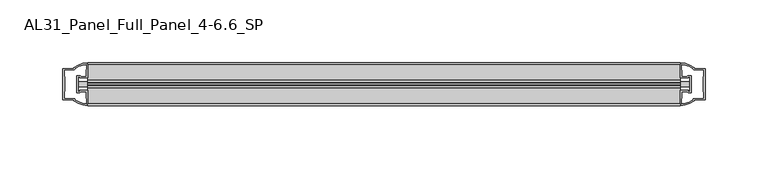
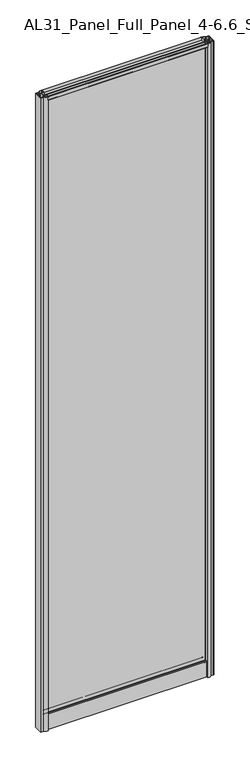
"""IFC4 building model written with IfcOpenShell, lengths in millimetres: plate geometry, AL31_Panel_Full_Panel_4-6.6_SP."""

from ifc_helpers import new_model, si_unit, point, frame, frame_2d, origin, origin_with_axes, place, context, project, spatial, polyline, circle_curve, trimmed, segment, composite_curve, outline, extrude, source, transform, mapped, element, save


def al31_panel_full_panel_4_6_6_sp_69c99006(model_context):
    return source(origin(), model_context, "Body", "SweptSolid", [
        extrude(outline(composite_curve([segment(polyline([(-1.4, 1968.8980762), (-0.85, 1967.9454483)]), True, "CONTINUOUS"), segment(trimmed(circle_curve(frame_2d((0.1, 1966.3)), 1.9), [point((-0.85, 1967.9454483))], [point((1.05, 1967.9454483))], True, "CARTESIAN"), True, "CONTINUOUS"), segment(polyline([(1.05, 1967.9454483), (1.6, 1968.8980762)]), True, "CONTINUOUS"), segment(trimmed(circle_curve(frame_2d((0.1, 1966.3)), 3.0), [point((1.6, 1968.8980762))], [point((2.5718414, 1964.6))], False, "CARTESIAN"), True, "CONTINUOUS"), segment(polyline([(2.5718414, 1964.6), (15.7, 1964.6), (15.7, 1974.0), (17.0, 1974.0), (17.0, 1963.5), (6.7024688, 1963.5), (6.7024688, 1962.7), (6.1968782, 1960.7785039), (6.1968782, 1956.1), (5.0, 1956.1), (5.0, 1961.4339746), (5.5, 1962.3), (5.5, 1963.5), (-5.5, 1963.5), (-5.5, 1962.3), (-5.0, 1961.4339746), (-5.0, 1956.1), (-6.1968782, 1956.1), (-6.1968782, 1960.7785039), (-6.7024688, 1962.7), (-6.7024688, 1963.5), (-17.0, 1963.5), (-17.0, 1974.0), (-15.7, 1974.0), (-15.7, 1964.6), (-2.3718414, 1964.6)]), True, "CONTINUOUS"), segment(trimmed(circle_curve(frame_2d((0.1, 1966.3)), 3.0), [point((-2.3718414, 1964.6))], [point((-1.4, 1968.8980762))], False, "CARTESIAN"), True, "CONTINUOUS")], self_intersect=False)), frame((-235.5631359, 0.0, 0.0), z_axis=(1.0, 0.0, 0.0), x_axis=(0.0, 1.0, 0.0)), (0.0, 0.0, 1.0), 471.1262717),
        extrude(outline(composite_curve([segment(polyline([(-243.4045572, -5.9), (-242.2045572, -5.9), (-242.2045572, -5.0), (-235.5631359, -5.0), (-235.5631359, -17.0001453)]), True, "CONTINUOUS"), segment(trimmed(circle_curve(frame_2d((-235.1984843, 2.9965302)), 20.0), [point((-235.5631359, -17.0001453))], [point((-246.9189711, -13.2093388))], False, "CARTESIAN"), True, "CONTINUOUS"), segment(polyline([(-246.9189711, -13.2093388), (-246.9189711, -12.3279343), (-255.5631359, -12.3279343), (-255.5631359, 12.3720657), (-246.9189711, 12.3720657), (-246.9189711, 13.2095249)]), True, "CONTINUOUS"), segment(trimmed(circle_curve(frame_2d((-235.1984843, -2.9963441)), 20.0), [point((-246.9189711, 13.2095249))], [point((-235.5631359, 17.0003314))], False, "CARTESIAN"), True, "CONTINUOUS"), segment(polyline([(-235.5631359, 17.0003314), (-235.5631359, 5.0), (-242.2045572, 5.0), (-242.2045572, 5.9), (-243.4045572, 5.9), (-243.4045572, -5.9)]), True, "CONTINUOUS")], self_intersect=False), holes=[composite_curve([segment(trimmed(circle_curve(frame_2d((-242.4045572, 5.7)), 1.5), [point((-242.4045572, 7.2))], [point((-241.0493029, 6.3428731))], False, "CARTESIAN"), True, "CONTINUOUS"), segment(polyline([(-241.0493029, 6.3428731), (-237.3045572, 6.3428731), (-237.3045572, 10.939223), (-236.8652174, 11.9998832), (-236.8652174, 15.6499817)]), True, "CONTINUOUS"), segment(trimmed(circle_curve(frame_2d((-235.1984843, -2.9755921)), 18.7), [point((-236.8652174, 15.6499817))], [point((-245.205262, 12.8216987))], True, "CARTESIAN"), True, "CONTINUOUS"), segment(trimmed(circle_curve(frame_2d((-247.0045572, 12.8720657)), 1.8), [point((-245.205262, 12.8216987))], [point((-247.0045572, 11.0720657))], False, "CARTESIAN"), True, "CONTINUOUS"), segment(polyline([(-247.0045572, 11.0720657), (-254.1459785, 11.0720657), (-254.1459785, 6.5019606), (-253.7045572, 5.439223), (-253.7045572, -5.3950916), (-254.2045572, -6.3879987), (-254.2045572, -11.0279343), (-247.0045572, -11.0279343)]), True, "CONTINUOUS"), segment(trimmed(circle_curve(frame_2d((-247.0045572, -12.8279343)), 1.8), [point((-247.0045572, -11.0279343))], [point((-245.205262, -12.7775673))], False, "CARTESIAN"), True, "CONTINUOUS"), segment(trimmed(circle_curve(frame_2d((-235.1984843, 3.0197235)), 18.7), [point((-245.205262, -12.7775673))], [point((-236.8652174, -15.6058503))], True, "CARTESIAN"), True, "CONTINUOUS"), segment(polyline([(-236.8652174, -15.6058503), (-236.8652174, -11.9557518), (-237.3045572, -10.8950916), (-237.3045572, -6.2991308), (-241.0294055, -6.2991308)]), True, "CONTINUOUS"), segment(trimmed(circle_curve(frame_2d((-242.4045572, -5.7)), 1.5), [point((-241.0294055, -6.2991308))], [point((-242.4045572, -7.2))], False, "CARTESIAN"), True, "CONTINUOUS"), segment(polyline([(-242.4045572, -7.2), (-244.7045572, -7.2), (-244.7045572, 7.2), (-242.4045572, 7.2)]), True, "CONTINUOUS")], self_intersect=False)]), origin_with_axes(), (0.0, 0.0, 1.0), 1974.0),
        extrude(outline(composite_curve([segment(polyline([(243.4045572, 5.9), (242.2045572, 5.9), (242.2045572, 5.0), (235.5631359, 5.0), (235.5631359, 17.0001453)]), True, "CONTINUOUS"), segment(trimmed(circle_curve(frame_2d((235.1984843, -2.9965302)), 20.0), [point((235.5631359, 17.0001453))], [point((246.9189711, 13.2093388))], False, "CARTESIAN"), True, "CONTINUOUS"), segment(polyline([(246.9189711, 13.2093388), (246.9189711, 12.3279343), (255.5631359, 12.3279343), (255.5631359, -12.3720657), (246.9189711, -12.3720657), (246.9189711, -13.2095249)]), True, "CONTINUOUS"), segment(trimmed(circle_curve(frame_2d((235.1984843, 2.9963441)), 20.0), [point((246.9189711, -13.2095249))], [point((235.5631359, -17.0003314))], False, "CARTESIAN"), True, "CONTINUOUS"), segment(polyline([(235.5631359, -17.0003314), (235.5631359, -5.0), (242.2045572, -5.0), (242.2045572, -5.9), (243.4045572, -5.9), (243.4045572, 5.9)]), True, "CONTINUOUS")], self_intersect=False), holes=[composite_curve([segment(trimmed(circle_curve(frame_2d((242.4045572, -5.7)), 1.5), [point((242.4045572, -7.2))], [point((241.0493029, -6.3428731))], False, "CARTESIAN"), True, "CONTINUOUS"), segment(polyline([(241.0493029, -6.3428731), (237.3045572, -6.3428731), (237.3045572, -10.939223), (236.8652174, -11.9998832), (236.8652174, -15.6499817)]), True, "CONTINUOUS"), segment(trimmed(circle_curve(frame_2d((235.1984843, 2.9755921)), 18.7), [point((236.8652174, -15.6499817))], [point((245.205262, -12.8216987))], True, "CARTESIAN"), True, "CONTINUOUS"), segment(trimmed(circle_curve(frame_2d((247.0045572, -12.8720657)), 1.8), [point((245.205262, -12.8216987))], [point((247.0045572, -11.0720657))], False, "CARTESIAN"), True, "CONTINUOUS"), segment(polyline([(247.0045572, -11.0720657), (254.1459785, -11.0720657), (254.1459785, -6.5019606), (253.7045572, -5.439223), (253.7045572, 5.3950916), (254.2045572, 6.3879987), (254.2045572, 11.0279343), (247.0045572, 11.0279343)]), True, "CONTINUOUS"), segment(trimmed(circle_curve(frame_2d((247.0045572, 12.8279343)), 1.8), [point((247.0045572, 11.0279343))], [point((245.205262, 12.7775673))], False, "CARTESIAN"), True, "CONTINUOUS"), segment(trimmed(circle_curve(frame_2d((235.1984843, -3.0197235)), 18.7), [point((245.205262, 12.7775673))], [point((236.8652174, 15.6058503))], True, "CARTESIAN"), True, "CONTINUOUS"), segment(polyline([(236.8652174, 15.6058503), (236.8652174, 11.9557518), (237.3045572, 10.8950916), (237.3045572, 6.2991308), (241.0294055, 6.2991308)]), True, "CONTINUOUS"), segment(trimmed(circle_curve(frame_2d((242.4045572, 5.7)), 1.5), [point((241.0294055, 6.2991308))], [point((242.4045572, 7.2))], False, "CARTESIAN"), True, "CONTINUOUS"), segment(polyline([(242.4045572, 7.2), (244.7045572, 7.2), (244.7045572, -7.2), (242.4045572, -7.2)]), True, "CONTINUOUS")], self_intersect=False)]), origin_with_axes(), (0.0, 0.0, 1.0), 1974.0),
        extrude(outline(composite_curve([segment(trimmed(circle_curve(frame_2d((-8.4, 34.8)), 1.0), [point((-8.4, 35.8))], [point((-9.4, 34.8))], True, "CARTESIAN"), True, "CONTINUOUS"), segment(polyline([(-9.4, 34.8), (-9.4, 33.5), (-5.0000303, 33.5), (-5.0000303, 32.3), (-9.4, 32.3), (-9.4, 0.0), (-10.6, 0.0), (-10.6, 47.3)]), True, "CONTINUOUS"), segment(trimmed(circle_curve(frame_2d((-8.6, 47.3)), 2.0), [point((-10.6, 47.3))], [point((-8.6, 49.3))], False, "CARTESIAN"), True, "CONTINUOUS"), segment(polyline([(-8.6, 49.3), (-5.0, 49.3), (-5.0, 41.9), (5.0, 41.9), (5.0, 49.3), (8.6, 49.3)]), True, "CONTINUOUS"), segment(trimmed(circle_curve(frame_2d((8.6, 47.3)), 2.0), [point((8.6, 49.3))], [point((10.6, 47.3))], False, "CARTESIAN"), True, "CONTINUOUS"), segment(polyline([(10.6, 47.3), (10.6, 0.0), (9.4, 0.0), (9.4, 32.3), (4.9999697, 32.3), (4.9999697, 33.5), (9.4, 33.5), (9.4, 34.8)]), True, "CONTINUOUS"), segment(trimmed(circle_curve(frame_2d((8.4, 34.8)), 1.0), [point((9.4, 34.8))], [point((8.4, 35.8))], True, "CARTESIAN"), True, "CONTINUOUS"), segment(polyline([(8.4, 35.8), (-8.4, 35.8)]), True, "CONTINUOUS")], self_intersect=False), holes=[composite_curve([segment(trimmed(circle_curve(frame_2d((5.5024688, 41.8)), 1.0), [point((6.5024688, 41.8))], [point((5.5024688, 40.8))], False, "CARTESIAN"), True, "CONTINUOUS"), segment(polyline([(5.5024688, 40.8), (2.8008965, 40.8), (2.8008965, 39.7274194), (1.8370508, 39.7274194)]), True, "CONTINUOUS"), segment(trimmed(circle_curve(frame_2d((0.0, 38.7)), 2.1048387), [point((1.8370508, 39.7274194))], [point((-1.8370508, 39.7274194))], True, "CARTESIAN"), True, "CONTINUOUS"), segment(polyline([(-1.8370508, 39.7274194), (-2.8008965, 39.7274194), (-2.8008965, 40.8), (-5.5024688, 40.8)]), True, "CONTINUOUS"), segment(trimmed(circle_curve(frame_2d((-5.5024688, 41.8)), 1.0), [point((-5.5024688, 40.8))], [point((-6.5024688, 41.8))], False, "CARTESIAN"), True, "CONTINUOUS"), segment(polyline([(-6.5024688, 41.8), (-6.5024688, 42.7)]), True, "CONTINUOUS"), segment(trimmed(circle_curve(frame_2d((-5.3024688, 42.7)), 1.2), [point((-6.5024688, 42.7))], [point((-6.1198184, 43.5786009))], False, "CARTESIAN"), True, "CONTINUOUS"), segment(polyline([(-6.1198184, 43.5786009), (-6.1198184, 48.2), (-8.4, 48.2)]), True, "CONTINUOUS"), segment(trimmed(circle_curve(frame_2d((-8.4, 47.2)), 1.0), [point((-8.4, 48.2))], [point((-9.4, 47.2))], True, "CARTESIAN"), True, "CONTINUOUS"), segment(polyline([(-9.4, 47.2), (-9.4, 37.04), (-2.8008965, 37.04), (-2.8008965, 38.0725806), (-1.8370508, 38.0725806)]), True, "CONTINUOUS"), segment(trimmed(circle_curve(frame_2d((0.0, 39.1)), 2.1048387), [point((-1.8370508, 38.0725806))], [point((1.8370508, 38.0725806))], True, "CARTESIAN"), True, "CONTINUOUS"), segment(polyline([(1.8370508, 38.0725806), (2.8008965, 38.0725806), (2.8008965, 37.04), (9.4, 37.04), (9.4, 47.2)]), True, "CONTINUOUS"), segment(trimmed(circle_curve(frame_2d((8.4, 47.2)), 1.0), [point((9.4, 47.2))], [point((8.4, 48.2))], True, "CARTESIAN"), True, "CONTINUOUS"), segment(polyline([(8.4, 48.2), (6.1198184, 48.2), (6.1198184, 43.7786009)]), True, "CONTINUOUS"), segment(trimmed(circle_curve(frame_2d((5.3024688, 42.9)), 1.2), [point((6.1198184, 43.7786009))], [point((6.5024688, 42.9))], False, "CARTESIAN"), True, "CONTINUOUS"), segment(polyline([(6.5024688, 42.9), (6.5024688, 41.8)]), True, "CONTINUOUS")], self_intersect=False)]), frame((-235.5631359, 0.0, 0.0), z_axis=(1.0, 0.0, 0.0), x_axis=(0.0, 1.0, 0.0)), (0.0, 0.0, 1.0), 471.1262717),
        extrude(outline(polyline([(243.4045572, 2.0), (243.4045572, -2.0), (-243.4045572, -2.0), (-243.4045572, 2.0), (243.4045572, 2.0)])), frame((0.0, 0.0, 41.9), z_axis=(0.0, 0.0, 1.0), x_axis=(1.0, 0.0, 0.0)), (0.0, 0.0, 1.0), 1921.6),
    ])


if __name__ == "__main__":
    model = new_model("IFC4")
    model_context = context("Model", 3, world=origin())
    ifc_project = project(units=[si_unit("LENGTHUNIT", "METRE", prefix="MILLI")], contexts=[model_context])
    site = spatial("IfcSite", under=ifc_project)
    building = spatial("IfcBuilding", under=site)
    placement = place(None, origin())
    al31_panel_full_panel_4_6_6_sp_shape = al31_panel_full_panel_4_6_6_sp_69c99006(model_context)
    element("IfcPlate", 1, ObjectType="AL31_Panel_Full_Panel_4-6.6_SP", at=placement, inside=building, context=model_context, shape_type="MappedRepresentation", body=[
        mapped(al31_panel_full_panel_4_6_6_sp_shape, transform((0.0, 0.0, 0.0), x_axis=(1.0, 0.0, 0.0), y_axis=(0.0, 1.0, 0.0), z_axis=(0.0, 0.0, 1.0))),
    ])
    save(model, "model.ifc")
